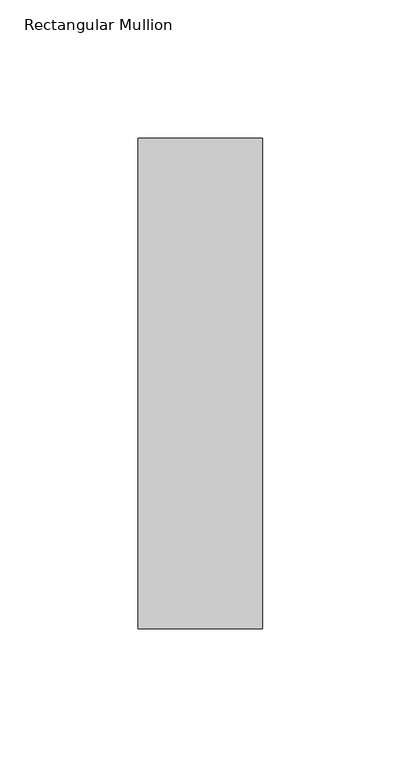
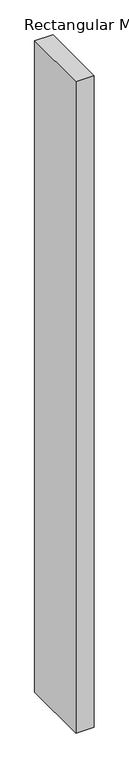
"""IFC4 building model written with IfcOpenShell, lengths in millimetres: member geometry, Rectangular Mullion."""

from ifc_helpers import new_model, si_unit, frame, origin, place, context, project, spatial, polyline, outline, extrude, source, transform, mapped, element, save


def rectangular_mullion_eb21223c(model_context):
    return source(origin(), model_context, "Body", "SweptSolid", [
        extrude(outline(polyline([(22.5, 124.19375), (22.5, -53.19375), (-22.5, -53.19375), (-22.5, 124.19375), (22.5, 124.19375)])), frame((0.0, 0.0, -1708.8912252), z_axis=(0.0, 0.0, 1.0), x_axis=(1.0, 0.0, 0.0)), (0.0, 0.0, 1.0), 1708.8912252),
    ])


if __name__ == "__main__":
    model = new_model("IFC4")
    model_context = context("Model", 3, world=origin())
    ifc_project = project(units=[si_unit("LENGTHUNIT", "METRE", prefix="MILLI")], contexts=[model_context])
    site = spatial("IfcSite", under=ifc_project)
    building = spatial("IfcBuilding", under=site)
    placement = place(None, origin())
    rectangular_mullion_shape = rectangular_mullion_eb21223c(model_context)
    element("IfcMember", 1, ObjectType="Rectangular Mullion", at=placement, inside=building, context=model_context, shape_type="MappedRepresentation", body=[
        mapped(rectangular_mullion_shape, transform((0.0, 0.0, 0.0), x_axis=(1.0, 0.0, 0.0), y_axis=(0.0, 1.0, 0.0), z_axis=(0.0, 0.0, 1.0))),
    ])
    save(model, "model.ifc")
